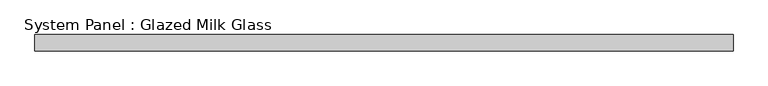
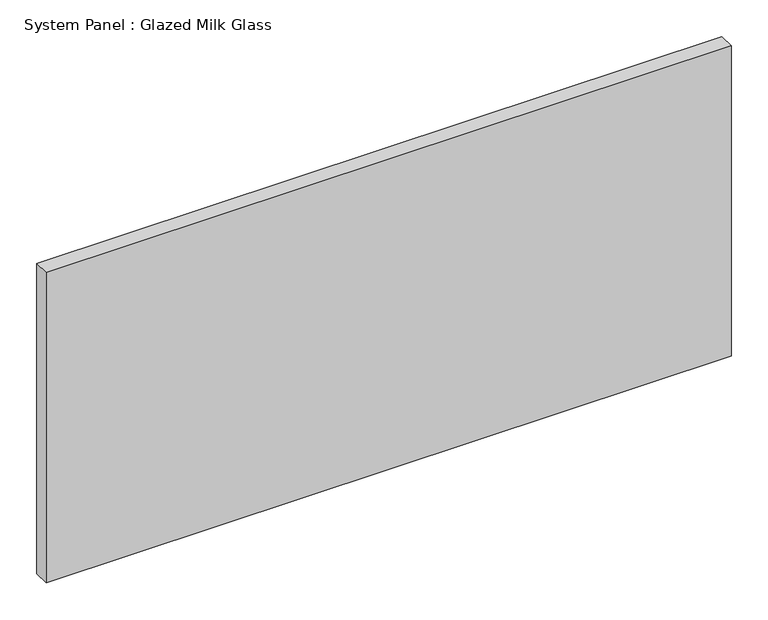
"""IFC4 building model written with IfcOpenShell, lengths in millimetres: plate geometry, System Panel : Glazed Milk Glass."""

from ifc_helpers import new_model, si_unit, origin, origin_with_axes, place, context, project, spatial, polyline, outline, extrude, source, transform, mapped, element, save


def system_panel_glazed_milk_glass_2d77e1ce(model_context):
    return source(origin(), model_context, "Body", "SweptSolid", [
        extrude(outline(polyline([(537.5, -12.5), (-537.5, -12.5), (-537.5, 12.5), (537.5, 12.5), (537.5, -12.5)])), origin_with_axes(), (0.0, 0.0, 1.0), 515.0),
    ])


if __name__ == "__main__":
    model = new_model("IFC4")
    model_context = context("Model", 3, world=origin())
    ifc_project = project(units=[si_unit("LENGTHUNIT", "METRE", prefix="MILLI")], contexts=[model_context])
    site = spatial("IfcSite", under=ifc_project)
    building = spatial("IfcBuilding", under=site)
    placement = place(None, origin())
    system_panel_glazed_milk_glass_shape = system_panel_glazed_milk_glass_2d77e1ce(model_context)
    element("IfcPlate", 1, ObjectType="System Panel : Glazed Milk Glass", at=placement, inside=building, context=model_context, shape_type="MappedRepresentation", body=[
        mapped(system_panel_glazed_milk_glass_shape, transform((0.0, 0.0, 0.0), x_axis=(1.0, 0.0, 0.0), y_axis=(0.0, 1.0, 0.0), z_axis=(0.0, 0.0, 1.0))),
    ])
    save(model, "model.ifc")
